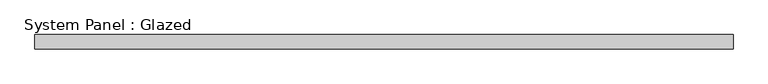
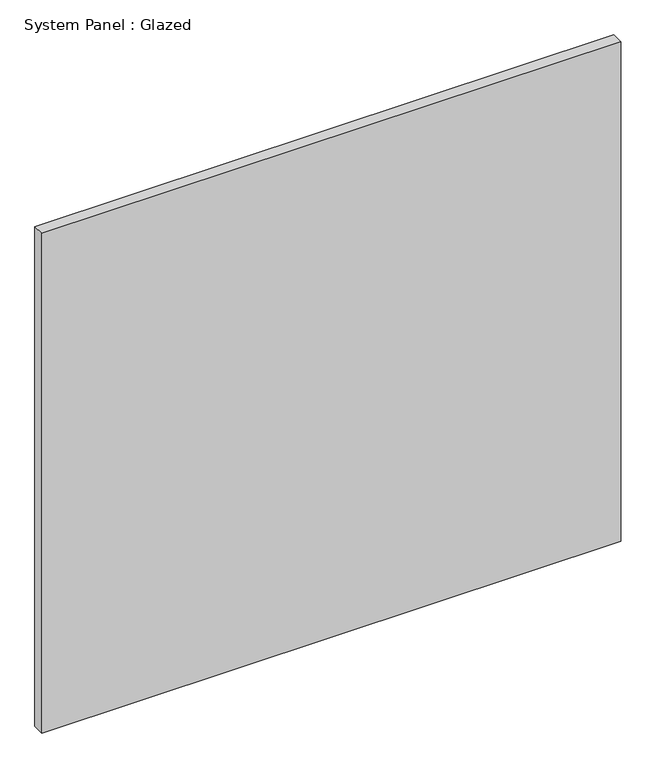
"""IFC4 building model written with IfcOpenShell, lengths in millimetres: plate geometry, System Panel : Glazed."""

import ifcopenshell
import ifcopenshell.guid

model = None  # the IFC model being written
_history = None  # IfcOwnerHistory: only IFC2X3 demands one
_inside = {}  # id of a spatial element -> (the spatial element, [elements in it])
_under = {}  # id of a project, library or spatial element -> (it, [spatial elements below it])
_declared = {}  # id of a project -> (the project, [libraries it declares])
_typed = {}  # id of a type object -> (the type object, [elements of that type])
_made_of = {}  # id of a material, layer set ... -> (it, [elements and type objects made of it])


def new_model(schema):
    """Start an empty IFC model of exactly this schema.

    Asked for "IFC4X3", IfcOpenShell would pick the latest addendum, in which some entities
    have other attributes; the version numbers below select the first issue.
    IFC2X3 requires an IfcOwnerHistory on every rooted entity: one is made here for all.
    """
    global model, _history
    if schema == "IFC4X3":
        model = ifcopenshell.file(schema_version=(4, 3, 0, 0))
    else:
        model = ifcopenshell.file(schema=schema)
    _inside.clear()
    _under.clear()
    _declared.clear()
    _typed.clear()
    _made_of.clear()
    _history = None
    if model.schema == "IFC2X3":
        org = make("IfcOrganization", Name="unknown")
        user = make(
            "IfcPersonAndOrganization",
            ThePerson=make("IfcPerson", FamilyName="unknown"),
            TheOrganization=org,
        )
        app = make(
            "IfcApplication",
            ApplicationDeveloper=org,
            Version="unknown",
            ApplicationFullName="unknown",
            ApplicationIdentifier="unknown",
        )
        _history = make(
            "IfcOwnerHistory",
            OwningUser=user,
            OwningApplication=app,
            ChangeAction="ADDED",
            CreationDate=0,
        )
    return model


def make(cls, **values):
    """One entity of the class cls with the attributes given. An attribute that is None is left unset."""
    return model.create_entity(
        cls, **{name: value for name, value in values.items() if value is not None}
    )


def rooted(cls, **values):
    """An entity with a GlobalId (a new one), such as an element, a storey or a relation."""
    return make(cls, GlobalId=ifcopenshell.guid.new(), OwnerHistory=_history, **values)


def si_unit(unit_type, name, prefix=None):
    """IfcSIUnit, for example si_unit("LENGTHUNIT", "METRE", prefix="MILLI")."""
    return make("IfcSIUnit", UnitType=unit_type, Prefix=prefix, Name=name)


def assignment(units):
    """IfcUnitAssignment: the units of a project."""
    return None if units is None else make("IfcUnitAssignment", Units=units)


def point(xyz):
    """IfcCartesianPoint."""
    return None if xyz is None else make("IfcCartesianPoint", Coordinates=xyz)


def direction(xyz):
    """IfcDirection."""
    return None if xyz is None else make("IfcDirection", DirectionRatios=xyz)


def frame(location, z_axis=None, x_axis=None):
    """IfcAxis2Placement3D, a coordinate frame: its origin and axes. An axis left out is left unset."""
    return make(
        "IfcAxis2Placement3D",
        Location=point(location),
        Axis=direction(z_axis),
        RefDirection=direction(x_axis),
    )


def origin():
    """The frame at (0, 0, 0) with its axes left unset."""
    return frame((0.0, 0.0, 0.0))


def origin_with_axes():
    """The frame at (0, 0, 0) with the z axis (0, 0, 1) and the x axis (1, 0, 0) written out."""
    return frame((0.0, 0.0, 0.0), z_axis=(0.0, 0.0, 1.0), x_axis=(1.0, 0.0, 0.0))


def place(relative_to, where):
    """IfcLocalPlacement: puts the frame where relative to a parent placement (None: the world)."""
    return make(
        "IfcLocalPlacement", PlacementRelTo=relative_to, RelativePlacement=where
    )


def context(
    kind, dimensions, precision=None, world=None, true_north=None, identifier=None
):
    """IfcGeometricRepresentationContext, for example the 3D "Model" context."""
    return make(
        "IfcGeometricRepresentationContext",
        ContextIdentifier=identifier,
        ContextType=kind,
        CoordinateSpaceDimension=dimensions,
        Precision=precision,
        WorldCoordinateSystem=world,
        TrueNorth=true_north,
    )


def project(units=None, contexts=None):
    """IfcProject with its units and contexts."""
    return rooted(
        "IfcProject",
        Name="project",
        RepresentationContexts=contexts,
        UnitsInContext=assignment(units),
    )


def spatial(cls, under=None, at=None, **own):
    """A site, building, storey or space (cls), placed at a placement, below another one or the project."""
    s = rooted(cls, ObjectPlacement=at, **own)
    if under is not None:
        _under.setdefault(under.id(), (under, []))[1].append(s)
    return s


def polyline(points):
    """IfcPolyline through the points."""
    return make("IfcPolyline", Points=[point(p) for p in points])


def outline(outer, holes=None, kind="AREA"):
    """IfcArbitraryClosedProfileDef: a profile drawn as a closed curve; with holes, ...WithVoids."""
    if holes is None:
        return make("IfcArbitraryClosedProfileDef", ProfileType=kind, OuterCurve=outer)
    return make(
        "IfcArbitraryProfileDefWithVoids",
        ProfileType=kind,
        OuterCurve=outer,
        InnerCurves=holes,
    )


def extrude(swept, where, along, depth):
    """IfcExtrudedAreaSolid: the profile swept, set in the frame where, extruded along a direction by depth."""
    return make(
        "IfcExtrudedAreaSolid",
        SweptArea=swept,
        Position=where,
        ExtrudedDirection=direction(along),
        Depth=depth,
    )


def shape(context_of_items, identifier, shape_type, items):
    """IfcShapeRepresentation: the items that make up one representation, for example the "Body"."""
    return make(
        "IfcShapeRepresentation",
        ContextOfItems=context_of_items,
        RepresentationIdentifier=identifier,
        RepresentationType=shape_type,
        Items=items,
    )


def source(mapping_origin, context_of_items, identifier, shape_type, items):
    """IfcRepresentationMap: a shape defined once, which mapped items show again and again."""
    return make(
        "IfcRepresentationMap",
        MappingOrigin=mapping_origin,
        MappedRepresentation=shape(context_of_items, identifier, shape_type, items),
    )


def transform(
    local_origin,
    x_axis=None,
    y_axis=None,
    z_axis=None,
    scale=None,
    scale2=None,
    scale3=None,
    uniform=True,
):
    """IfcCartesianTransformationOperator3D, or its non-uniform kind. x_axis, y_axis, z_axis: its Axis1, 2, 3."""
    if uniform:
        return make(
            "IfcCartesianTransformationOperator3D",
            Axis1=direction(x_axis),
            Axis2=direction(y_axis),
            LocalOrigin=point(local_origin),
            Scale=scale,
            Axis3=direction(z_axis),
        )
    return make(
        "IfcCartesianTransformationOperator3DnonUniform",
        Axis1=direction(x_axis),
        Axis2=direction(y_axis),
        LocalOrigin=point(local_origin),
        Scale=scale,
        Axis3=direction(z_axis),
        Scale2=scale2,
        Scale3=scale3,
    )


def mapped(mapping_source, mapping_target):
    """IfcMappedItem: shows the shape of a source again, moved by a transform."""
    return make(
        "IfcMappedItem", MappingSource=mapping_source, MappingTarget=mapping_target
    )


def made_of(thing, what):
    """Note that an element or type object is made of a material, layer set ...; save() writes the relation."""
    if what is not None:
        _made_of.setdefault(what.id(), (what, []))[1].append(thing)
    return thing


def element(
    cls,
    number,
    at=None,
    inside=None,
    cuts=None,
    type_object=None,
    material=None,
    context=None,
    identifier="Body",
    shape_type=None,
    held_by="IfcProductDefinitionShape",
    body=None,
    shapes=None,
    **own,
):
    """One element of the class cls, such as IfcWall. Its Tag is "e" and its number.

    at: its placement. inside: the storey or other place that contains it. cuts: it is an
    opening in that element (IfcRelVoidsElement). A single representation is given by context,
    identifier, shape_type and body (its items); several are given by shapes. held_by: the class
    of the entity that holds the representations. save() writes the other relations.
    """
    e = rooted(cls, Tag="e%d" % number, ObjectPlacement=at, **own)
    if body is not None:
        shapes = [shape(context, identifier, shape_type, body)]
    if shapes is not None:
        e.Representation = make(held_by, Representations=shapes)
    if inside is not None:
        _inside.setdefault(inside.id(), (inside, []))[1].append(e)
    if cuts is not None:
        rooted(
            "IfcRelVoidsElement", RelatingBuildingElement=cuts, RelatedOpeningElement=e
        )
    if type_object is not None:
        _typed.setdefault(type_object.id(), (type_object, []))[1].append(e)
    return made_of(e, material)


def aggregate(whole, parts):
    """IfcRelAggregates: a whole, such as a stair, and the parts it consists of."""
    return rooted("IfcRelAggregates", RelatingObject=whole, RelatedObjects=parts)


def save(model, path):
    """Write the relations noted so far, then the file.

    IfcRelAggregates (storeys below a building ...), IfcRelContainedInSpatialStructure (elements
    in a storey), IfcRelDefinesByType, IfcRelAssociatesMaterial and IfcRelDeclares: one each for
    every whole, place, type object, material and project.
    """
    for whole, parts in _under.values():
        aggregate(whole, parts)
    for where, things in _inside.values():
        rooted(
            "IfcRelContainedInSpatialStructure",
            RelatedElements=things,
            RelatingStructure=where,
        )
    for kind, things in _typed.values():
        rooted("IfcRelDefinesByType", RelatedObjects=things, RelatingType=kind)
    for what, things in _made_of.values():
        rooted("IfcRelAssociatesMaterial", RelatedObjects=things, RelatingMaterial=what)
    for by, libraries in _declared.values():
        rooted("IfcRelDeclares", RelatingContext=by, RelatedDefinitions=libraries)
    model.write(path)


def system_panel_glazed_ef3f0655(model_context):
    return source(origin(), model_context, "Body", "SweptSolid", [
        extrude(outline(polyline([(615.95, 19.05), (-615.95, 19.05), (-615.95, 44.45), (615.95, 44.45), (615.95, 19.05)])), origin_with_axes(), (0.0, 0.0, 1.0), 1123.95),
    ])


if __name__ == "__main__":
    model = new_model("IFC4")
    model_context = context("Model", 3, world=origin())
    ifc_project = project(units=[si_unit("LENGTHUNIT", "METRE", prefix="MILLI")], contexts=[model_context])
    site = spatial("IfcSite", under=ifc_project)
    building = spatial("IfcBuilding", under=site)
    placement = place(None, origin())
    system_panel_glazed_shape = system_panel_glazed_ef3f0655(model_context)
    element("IfcPlate", 1, ObjectType="System Panel : Glazed", at=placement, inside=building, context=model_context, shape_type="MappedRepresentation", body=[
        mapped(system_panel_glazed_shape, transform((0.0, 0.0, 0.0), x_axis=(1.0, 0.0, 0.0), y_axis=(0.0, 1.0, 0.0), z_axis=(0.0, 0.0, 1.0))),
    ])
    save(model, "model.ifc")
